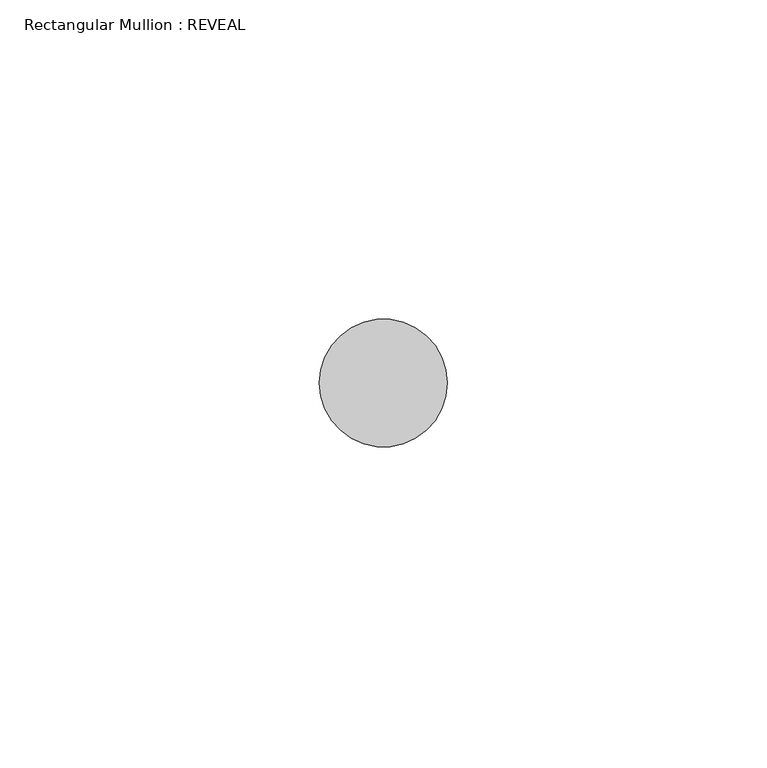
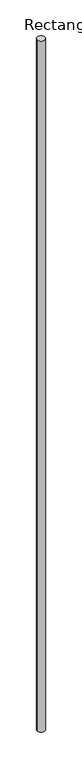
"""IFC4 building model written with IfcOpenShell, lengths in millimetres: member geometry, Rectangular Mullion : REVEAL."""

import ifcopenshell
import ifcopenshell.guid

model = None  # the IFC model being written
_history = None  # IfcOwnerHistory: only IFC2X3 demands one
_inside = {}  # id of a spatial element -> (the spatial element, [elements in it])
_under = {}  # id of a project, library or spatial element -> (it, [spatial elements below it])
_declared = {}  # id of a project -> (the project, [libraries it declares])
_typed = {}  # id of a type object -> (the type object, [elements of that type])
_made_of = {}  # id of a material, layer set ... -> (it, [elements and type objects made of it])


def new_model(schema):
    """Start an empty IFC model of exactly this schema.

    Asked for "IFC4X3", IfcOpenShell would pick the latest addendum, in which some entities
    have other attributes; the version numbers below select the first issue.
    IFC2X3 requires an IfcOwnerHistory on every rooted entity: one is made here for all.
    """
    global model, _history
    if schema == "IFC4X3":
        model = ifcopenshell.file(schema_version=(4, 3, 0, 0))
    else:
        model = ifcopenshell.file(schema=schema)
    _inside.clear()
    _under.clear()
    _declared.clear()
    _typed.clear()
    _made_of.clear()
    _history = None
    if model.schema == "IFC2X3":
        org = make("IfcOrganization", Name="unknown")
        user = make(
            "IfcPersonAndOrganization",
            ThePerson=make("IfcPerson", FamilyName="unknown"),
            TheOrganization=org,
        )
        app = make(
            "IfcApplication",
            ApplicationDeveloper=org,
            Version="unknown",
            ApplicationFullName="unknown",
            ApplicationIdentifier="unknown",
        )
        _history = make(
            "IfcOwnerHistory",
            OwningUser=user,
            OwningApplication=app,
            ChangeAction="ADDED",
            CreationDate=0,
        )
    return model


def make(cls, **values):
    """One entity of the class cls with the attributes given. An attribute that is None is left unset."""
    return model.create_entity(
        cls, **{name: value for name, value in values.items() if value is not None}
    )


def rooted(cls, **values):
    """An entity with a GlobalId (a new one), such as an element, a storey or a relation."""
    return make(cls, GlobalId=ifcopenshell.guid.new(), OwnerHistory=_history, **values)


def si_unit(unit_type, name, prefix=None):
    """IfcSIUnit, for example si_unit("LENGTHUNIT", "METRE", prefix="MILLI")."""
    return make("IfcSIUnit", UnitType=unit_type, Prefix=prefix, Name=name)


def assignment(units):
    """IfcUnitAssignment: the units of a project."""
    return None if units is None else make("IfcUnitAssignment", Units=units)


def point(xyz):
    """IfcCartesianPoint."""
    return None if xyz is None else make("IfcCartesianPoint", Coordinates=xyz)


def direction(xyz):
    """IfcDirection."""
    return None if xyz is None else make("IfcDirection", DirectionRatios=xyz)


def frame(location, z_axis=None, x_axis=None):
    """IfcAxis2Placement3D, a coordinate frame: its origin and axes. An axis left out is left unset."""
    return make(
        "IfcAxis2Placement3D",
        Location=point(location),
        Axis=direction(z_axis),
        RefDirection=direction(x_axis),
    )


def frame_2d(location, x_axis=None):
    """IfcAxis2Placement2D, a coordinate frame in the plane: its origin and x axis."""
    return make(
        "IfcAxis2Placement2D", Location=point(location), RefDirection=direction(x_axis)
    )


def origin():
    """The frame at (0, 0, 0) with its axes left unset."""
    return frame((0.0, 0.0, 0.0))


def place(relative_to, where):
    """IfcLocalPlacement: puts the frame where relative to a parent placement (None: the world)."""
    return make(
        "IfcLocalPlacement", PlacementRelTo=relative_to, RelativePlacement=where
    )


def context(
    kind, dimensions, precision=None, world=None, true_north=None, identifier=None
):
    """IfcGeometricRepresentationContext, for example the 3D "Model" context."""
    return make(
        "IfcGeometricRepresentationContext",
        ContextIdentifier=identifier,
        ContextType=kind,
        CoordinateSpaceDimension=dimensions,
        Precision=precision,
        WorldCoordinateSystem=world,
        TrueNorth=true_north,
    )


def project(units=None, contexts=None):
    """IfcProject with its units and contexts."""
    return rooted(
        "IfcProject",
        Name="project",
        RepresentationContexts=contexts,
        UnitsInContext=assignment(units),
    )


def spatial(cls, under=None, at=None, **own):
    """A site, building, storey or space (cls), placed at a placement, below another one or the project."""
    s = rooted(cls, ObjectPlacement=at, **own)
    if under is not None:
        _under.setdefault(under.id(), (under, []))[1].append(s)
    return s


def circle_curve(where, radius):
    """IfcCircle in the frame where."""
    return make("IfcCircle", Position=where, Radius=radius)


def trimmed(basis, trim1, trim2, sense, master):
    """IfcTrimmedCurve: the piece of a basis curve between two trims."""
    return make(
        "IfcTrimmedCurve",
        BasisCurve=basis,
        Trim1=trim1,
        Trim2=trim2,
        SenseAgreement=sense,
        MasterRepresentation=master,
    )


def segment(curve, same_sense, transition):
    """IfcCompositeCurveSegment."""
    return make(
        "IfcCompositeCurveSegment",
        Transition=transition,
        SameSense=same_sense,
        ParentCurve=curve,
    )


def composite_curve(segments, self_intersect=None):
    """IfcCompositeCurve: segments joined end to end."""
    return make("IfcCompositeCurve", Segments=segments, SelfIntersect=self_intersect)


def outline(outer, holes=None, kind="AREA"):
    """IfcArbitraryClosedProfileDef: a profile drawn as a closed curve; with holes, ...WithVoids."""
    if holes is None:
        return make("IfcArbitraryClosedProfileDef", ProfileType=kind, OuterCurve=outer)
    return make(
        "IfcArbitraryProfileDefWithVoids",
        ProfileType=kind,
        OuterCurve=outer,
        InnerCurves=holes,
    )


def extrude(swept, where, along, depth):
    """IfcExtrudedAreaSolid: the profile swept, set in the frame where, extruded along a direction by depth."""
    return make(
        "IfcExtrudedAreaSolid",
        SweptArea=swept,
        Position=where,
        ExtrudedDirection=direction(along),
        Depth=depth,
    )


def shape(context_of_items, identifier, shape_type, items):
    """IfcShapeRepresentation: the items that make up one representation, for example the "Body"."""
    return make(
        "IfcShapeRepresentation",
        ContextOfItems=context_of_items,
        RepresentationIdentifier=identifier,
        RepresentationType=shape_type,
        Items=items,
    )


def source(mapping_origin, context_of_items, identifier, shape_type, items):
    """IfcRepresentationMap: a shape defined once, which mapped items show again and again."""
    return make(
        "IfcRepresentationMap",
        MappingOrigin=mapping_origin,
        MappedRepresentation=shape(context_of_items, identifier, shape_type, items),
    )


def transform(
    local_origin,
    x_axis=None,
    y_axis=None,
    z_axis=None,
    scale=None,
    scale2=None,
    scale3=None,
    uniform=True,
):
    """IfcCartesianTransformationOperator3D, or its non-uniform kind. x_axis, y_axis, z_axis: its Axis1, 2, 3."""
    if uniform:
        return make(
            "IfcCartesianTransformationOperator3D",
            Axis1=direction(x_axis),
            Axis2=direction(y_axis),
            LocalOrigin=point(local_origin),
            Scale=scale,
            Axis3=direction(z_axis),
        )
    return make(
        "IfcCartesianTransformationOperator3DnonUniform",
        Axis1=direction(x_axis),
        Axis2=direction(y_axis),
        LocalOrigin=point(local_origin),
        Scale=scale,
        Axis3=direction(z_axis),
        Scale2=scale2,
        Scale3=scale3,
    )


def mapped(mapping_source, mapping_target):
    """IfcMappedItem: shows the shape of a source again, moved by a transform."""
    return make(
        "IfcMappedItem", MappingSource=mapping_source, MappingTarget=mapping_target
    )


def made_of(thing, what):
    """Note that an element or type object is made of a material, layer set ...; save() writes the relation."""
    if what is not None:
        _made_of.setdefault(what.id(), (what, []))[1].append(thing)
    return thing


def element(
    cls,
    number,
    at=None,
    inside=None,
    cuts=None,
    type_object=None,
    material=None,
    context=None,
    identifier="Body",
    shape_type=None,
    held_by="IfcProductDefinitionShape",
    body=None,
    shapes=None,
    **own,
):
    """One element of the class cls, such as IfcWall. Its Tag is "e" and its number.

    at: its placement. inside: the storey or other place that contains it. cuts: it is an
    opening in that element (IfcRelVoidsElement). A single representation is given by context,
    identifier, shape_type and body (its items); several are given by shapes. held_by: the class
    of the entity that holds the representations. save() writes the other relations.
    """
    e = rooted(cls, Tag="e%d" % number, ObjectPlacement=at, **own)
    if body is not None:
        shapes = [shape(context, identifier, shape_type, body)]
    if shapes is not None:
        e.Representation = make(held_by, Representations=shapes)
    if inside is not None:
        _inside.setdefault(inside.id(), (inside, []))[1].append(e)
    if cuts is not None:
        rooted(
            "IfcRelVoidsElement", RelatingBuildingElement=cuts, RelatedOpeningElement=e
        )
    if type_object is not None:
        _typed.setdefault(type_object.id(), (type_object, []))[1].append(e)
    return made_of(e, material)


def aggregate(whole, parts):
    """IfcRelAggregates: a whole, such as a stair, and the parts it consists of."""
    return rooted("IfcRelAggregates", RelatingObject=whole, RelatedObjects=parts)


def save(model, path):
    """Write the relations noted so far, then the file.

    IfcRelAggregates (storeys below a building ...), IfcRelContainedInSpatialStructure (elements
    in a storey), IfcRelDefinesByType, IfcRelAssociatesMaterial and IfcRelDeclares: one each for
    every whole, place, type object, material and project.
    """
    for whole, parts in _under.values():
        aggregate(whole, parts)
    for where, things in _inside.values():
        rooted(
            "IfcRelContainedInSpatialStructure",
            RelatedElements=things,
            RelatingStructure=where,
        )
    for kind, things in _typed.values():
        rooted("IfcRelDefinesByType", RelatedObjects=things, RelatingType=kind)
    for what, things in _made_of.values():
        rooted("IfcRelAssociatesMaterial", RelatedObjects=things, RelatingMaterial=what)
    for by, libraries in _declared.values():
        rooted("IfcRelDeclares", RelatingContext=by, RelatedDefinitions=libraries)
    model.write(path)


def rectangular_mullion_reveal_dc55fb4c(model_context):
    return source(origin(), model_context, "Body", "SweptSolid", [
        extrude(outline(composite_curve([segment(trimmed(circle_curve(frame_2d((0.0, 50.0)), 10.0), [point((10.0, 50.0))], [point((-10.0, 50.0))], False, "CARTESIAN"), True, "CONTINUOUS"), segment(trimmed(circle_curve(frame_2d((0.0, 50.0)), 10.0), [point((-10.0, 50.0))], [point((10.0, 50.0))], False, "CARTESIAN"), True, "CONTINUOUS")], self_intersect=False)), frame((0.0, 0.0, -1817.9263315), z_axis=(0.0, 0.0, 1.0), x_axis=(1.0, 0.0, 0.0)), (0.0, 0.0, 1.0), 1817.9263315),
    ])


if __name__ == "__main__":
    model = new_model("IFC4")
    model_context = context("Model", 3, world=origin())
    ifc_project = project(units=[si_unit("LENGTHUNIT", "METRE", prefix="MILLI")], contexts=[model_context])
    site = spatial("IfcSite", under=ifc_project)
    building = spatial("IfcBuilding", under=site)
    placement = place(None, origin())
    rectangular_mullion_reveal_shape = rectangular_mullion_reveal_dc55fb4c(model_context)
    element("IfcMember", 1, ObjectType="Rectangular Mullion : REVEAL", at=placement, inside=building, context=model_context, shape_type="MappedRepresentation", body=[
        mapped(rectangular_mullion_reveal_shape, transform((0.0, 0.0, 0.0), x_axis=(1.0, 0.0, 0.0), y_axis=(0.0, 1.0, 0.0), z_axis=(0.0, 0.0, 1.0))),
    ])
    save(model, "model.ifc")
